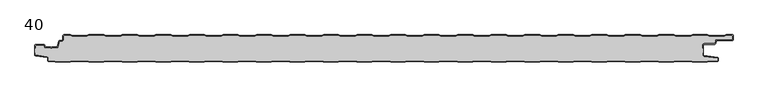
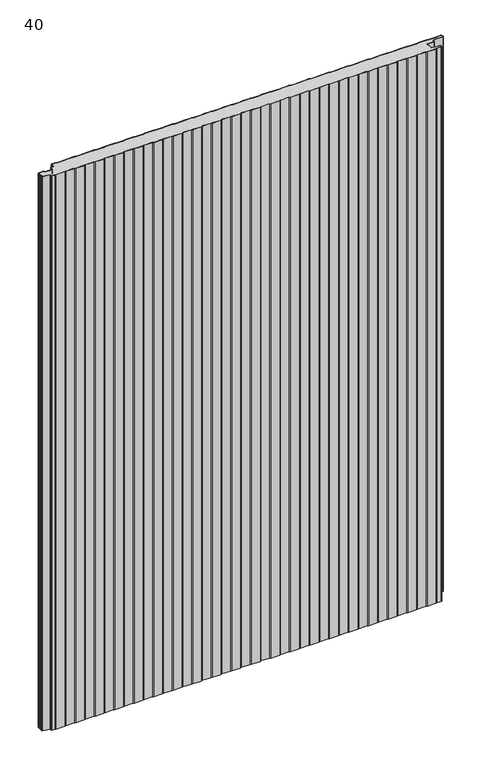
"""IFC4 building model written with IfcOpenShell, lengths in millimetres: plate geometry, 40."""

from ifc_helpers import new_model, si_unit, point, frame_2d, origin, origin_with_axes, place, context, project, spatial, polyline, circle_curve, trimmed, segment, composite_curve, outline, extrude, source, transform, mapped, element, save


def plate_40_181115cf(model_context):
    return source(origin(), model_context, "Body", "SweptSolid", [
        extrude(outline(composite_curve([segment(trimmed(circle_curve(frame_2d((-498.6, -16.2480681)), 1.4), [point((-500.0, -16.2480681))], [point((-498.6, -14.8480681))], False, "CARTESIAN"), True, "CONTINUOUS"), segment(polyline([(-498.6, -14.8480681), (-486.4969094, -14.8480681)]), True, "CONTINUOUS"), segment(trimmed(circle_curve(frame_2d((-486.4969094, -16.2480681)), 1.4), [point((-486.4969094, -14.8480681))], [point((-485.1275334, -15.9568477))], False, "CARTESIAN"), True, "CONTINUOUS"), segment(polyline([(-485.1275334, -15.9568477), (-484.6878192, -18.0244711)]), True, "CONTINUOUS"), segment(trimmed(circle_curve(frame_2d((-484.1011925, -17.8997153)), 0.5997457), [point((-484.6878192, -18.0244711))], [point((-484.1011925, -18.499461))], True, "CARTESIAN"), True, "CONTINUOUS"), segment(polyline([(-484.1011925, -18.499461), (-476.9006569, -18.499461)]), True, "CONTINUOUS"), segment(trimmed(circle_curve(frame_2d((-476.9006569, -19.799946)), 1.300485), [point((-476.9006569, -18.499461))], [point((-475.9808032, -18.8806362))], False, "CARTESIAN"), True, "CONTINUOUS"), segment(trimmed(circle_curve(frame_2d((-475.5877843, -18.5693125)), 0.5013845), [point((-475.9808032, -18.8806362))], [point((-475.2328971, -18.9234896))], True, "CARTESIAN"), True, "CONTINUOUS"), segment(trimmed(circle_curve(frame_2d((-474.2728751, -19.8002001)), 1.3001013), [point((-475.2328971, -18.9234896))], [point((-474.2728751, -18.5000988))], False, "CARTESIAN"), True, "CONTINUOUS"), segment(polyline([(-474.2728751, -18.5000988), (-467.0728572, -18.5000988)]), True, "CONTINUOUS"), segment(trimmed(circle_curve(frame_2d((-467.0728572, -17.9000522)), 0.6000466), [point((-467.0728572, -18.5000988))], [point((-466.4859224, -18.0248059))], True, "CARTESIAN"), True, "CONTINUOUS"), segment(polyline([(-466.4859224, -18.0248059), (-464.8033928, -10.1089305)]), True, "CONTINUOUS"), segment(trimmed(circle_curve(frame_2d((-463.4339847, -10.4)), 1.4), [point((-464.8033928, -10.1089305))], [point((-463.4339847, -9.0))], False, "CARTESIAN"), True, "CONTINUOUS"), segment(polyline([(-463.4339847, -9.0), (-460.4027062, -9.0)]), True, "CONTINUOUS"), segment(trimmed(circle_curve(frame_2d((-460.4027062, -7.1)), 1.9), [point((-460.4027062, -9.0))], [point((-458.5027062, -7.1))], True, "CARTESIAN"), True, "CONTINUOUS"), segment(polyline([(-458.5027062, -7.1), (-458.5027062, -2.0)]), True, "CONTINUOUS"), segment(trimmed(circle_curve(frame_2d((-456.5027062, -2.0)), 2.0), [point((-458.5027062, -2.0))], [point((-456.5027062, 0.0))], False, "CARTESIAN"), True, "CONTINUOUS"), segment(polyline([(-456.5027062, 0.0), (-447.5017452, 0.0), (-444.5017452, -1.0), (-422.5017452, -1.0), (-419.5017452, 0.0), (-397.5017452, 0.0), (-394.5017452, -1.0), (-372.5017452, -1.0), (-369.5017452, 0.0), (-347.5017452, 0.0), (-344.5017452, -1.0), (-322.5017452, -1.0), (-319.5017452, 0.0), (-297.5017452, 0.0), (-294.5017452, -1.0), (-272.5017452, -1.0), (-269.5017452, 0.0), (-247.5017452, 0.0), (-244.5017452, -1.0), (-222.5017452, -1.0), (-219.5017452, 0.0), (-197.5017452, 0.0), (-194.5017452, -1.0), (-172.5017452, -1.0), (-169.5017452, 0.0), (-147.5017452, 0.0), (-144.5017452, -1.0), (-122.5017452, -1.0), (-119.5017452, 0.0), (-97.5017452, 0.0), (-94.5017452, -1.0), (-72.5017452, -1.0), (-69.5017452, 0.0), (-47.5017452, 0.0), (-44.5017452, -1.0), (-22.5017452, -1.0), (-19.5017452, 0.0), (2.4982548, 0.0), (5.4982548, -1.0), (27.4982548, -1.0), (30.4982548, 0.0), (52.4982548, 0.0), (55.4982548, -1.0), (77.4982548, -1.0), (80.4982548, 0.0), (102.4982548, 0.0), (105.4982548, -1.0), (127.4982548, -1.0), (130.4982548, 0.0), (152.4982548, 0.0), (155.4982548, -1.0), (177.4982548, -1.0), (180.4982548, 0.0), (202.4982548, 0.0), (205.4982548, -1.0), (227.4982548, -1.0), (230.4982548, 0.0), (252.4982548, 0.0), (255.4982548, -1.0), (277.4982548, -1.0), (280.4982548, 0.0), (302.4982548, 0.0), (305.4982548, -1.0), (327.4982548, -1.0), (330.4982548, 0.0), (352.4982548, 0.0), (355.4982548, -1.0), (377.4982548, -1.0), (380.4982548, 0.0), (402.4982548, 0.0), (405.4982548, -1.0), (427.4982548, -1.0), (430.4982548, 0.0), (452.4982548, 0.0), (455.4982548, -1.0), (477.4982548, -1.0), (480.4982548, 0.0), (502.4982548, 0.0), (505.4982548, -1.0), (527.4982548, -1.0), (530.4982548, 0.0), (539.4972938, 0.0)]), True, "CONTINUOUS"), segment(trimmed(circle_curve(frame_2d((539.4972938, -2.0)), 2.0), [point((539.4972938, 0.0))], [point((541.0, -0.6801992))], False, "CARTESIAN"), True, "CONTINUOUS"), segment(polyline([(541.0, -0.6801992), (541.0, -8.0014566)]), True, "CONTINUOUS"), segment(trimmed(circle_curve(frame_2d((539.7972938, -6.8)), 1.7), [point((541.0, -8.0014566))], [point((539.7972938, -8.5))], False, "CARTESIAN"), True, "CONTINUOUS"), segment(polyline([(539.7972938, -8.5), (517.0135311, -8.5)]), True, "CONTINUOUS"), segment(trimmed(circle_curve(frame_2d((517.0135311, -9.9)), 1.4), [point((517.0135311, -8.5))], [point((515.6441245, -9.6089236))], True, "CARTESIAN"), True, "CONTINUOUS"), segment(polyline([(515.6441245, -9.6089236), (514.8724972, -13.2391445)]), True, "CONTINUOUS"), segment(trimmed(circle_curve(frame_2d((513.5030906, -12.9480681)), 1.4), [point((514.8724972, -13.2391445))], [point((513.5030906, -14.3480681))], False, "CARTESIAN"), True, "CONTINUOUS"), segment(polyline([(513.5030906, -14.3480681), (497.9, -14.3480681)]), True, "CONTINUOUS"), segment(trimmed(circle_curve(frame_2d((497.9, -15.7480681)), 1.4), [point((497.9, -14.3480681))], [point((496.5, -15.7480681))], True, "CARTESIAN"), True, "CONTINUOUS"), segment(polyline([(496.5, -15.7480681), (496.5, -20.2482392), (495.7, -20.2482392), (495.7, -15.7480681)]), True, "CONTINUOUS"), segment(trimmed(circle_curve(frame_2d((497.9, -15.7480681)), 2.2), [point((495.7, -15.7480681))], [point((497.9, -13.5480681))], False, "CARTESIAN"), True, "CONTINUOUS"), segment(polyline([(497.9, -13.5480681), (513.5030906, -13.5480681)]), True, "CONTINUOUS"), segment(trimmed(circle_curve(frame_2d((513.5030906, -12.9480681)), 0.6), [point((513.5030906, -13.5480681))], [point((514.0899792, -13.0728151))], True, "CARTESIAN"), True, "CONTINUOUS"), segment(polyline([(514.0899792, -13.0728151), (514.8616064, -9.4425943)]), True, "CONTINUOUS"), segment(trimmed(circle_curve(frame_2d((517.0135311, -9.9)), 2.2), [point((514.8616064, -9.4425943))], [point((517.0135311, -7.7))], False, "CARTESIAN"), True, "CONTINUOUS"), segment(polyline([(517.0135311, -7.7), (539.7972938, -7.7)]), True, "CONTINUOUS"), segment(trimmed(circle_curve(frame_2d((539.7972938, -6.8)), 0.9), [point((539.7972938, -7.7))], [point((540.6972938, -6.8))], True, "CARTESIAN"), True, "CONTINUOUS"), segment(polyline([(540.6972938, -6.8), (540.6972938, -2.0)]), True, "CONTINUOUS"), segment(trimmed(circle_curve(frame_2d((539.4972938, -2.0)), 1.2), [point((540.6972938, -2.0))], [point((539.4972938, -0.8))], True, "CARTESIAN"), True, "CONTINUOUS"), segment(polyline([(539.4972938, -0.8), (530.6280769, -0.8), (527.6280769, -1.8), (505.3684327, -1.8), (502.3684327, -0.8), (480.6280769, -0.8), (477.6280769, -1.8), (455.3684327, -1.8), (452.3684327, -0.8), (430.6280769, -0.8), (427.6280769, -1.8), (405.3684327, -1.8), (402.3684327, -0.8), (380.6280769, -0.8), (377.6280769, -1.8), (355.3684327, -1.8), (352.3684327, -0.8), (330.6280769, -0.8), (327.6280769, -1.8), (305.3684327, -1.8), (302.3684327, -0.8), (280.6280769, -0.8), (277.6280769, -1.8), (255.3684327, -1.8), (252.3684327, -0.8), (230.6280769, -0.8), (227.6280769, -1.8), (205.3684327, -1.8), (202.3684327, -0.8), (180.6280769, -0.8), (177.6280769, -1.8), (155.3684327, -1.8), (152.3684327, -0.8), (130.6280769, -0.8), (127.6280769, -1.8), (105.3684327, -1.8), (102.3684327, -0.8), (80.6280769, -0.8), (77.6280769, -1.8), (55.3684327, -1.8), (52.3684327, -0.8), (30.6280769, -0.8), (27.6280769, -1.8), (5.3684327, -1.8), (2.3684327, -0.8), (-19.3719231, -0.8), (-22.3719231, -1.8), (-44.6315673, -1.8), (-47.6315673, -0.8), (-69.3719231, -0.8), (-72.3719231, -1.8), (-94.6315673, -1.8), (-97.6315673, -0.8), (-119.3719231, -0.8), (-122.3719231, -1.8), (-144.6315673, -1.8), (-147.6315673, -0.8), (-169.3719231, -0.8), (-172.3719231, -1.8), (-194.6315673, -1.8), (-197.6315673, -0.8), (-219.3719231, -0.8), (-222.3719231, -1.8), (-244.6315673, -1.8), (-247.6315673, -0.8), (-269.3719231, -0.8), (-272.3719231, -1.8), (-294.6315673, -1.8), (-297.6315673, -0.8), (-319.3719231, -0.8), (-322.3719231, -1.8), (-344.6315673, -1.8), (-347.6315673, -0.8), (-369.3719231, -0.8), (-372.3719231, -1.8), (-394.6315673, -1.8), (-397.6315673, -0.8), (-419.3719231, -0.8), (-422.3719231, -1.8), (-444.6315673, -1.8), (-447.6315673, -0.8), (-456.5027062, -0.8)]), True, "CONTINUOUS"), segment(trimmed(circle_curve(frame_2d((-456.5027062, -2.0)), 1.2), [point((-456.5027062, -0.8))], [point((-457.7027062, -2.0))], True, "CARTESIAN"), True, "CONTINUOUS"), segment(polyline([(-457.7027062, -2.0), (-457.7027062, -7.1)]), True, "CONTINUOUS"), segment(trimmed(circle_curve(frame_2d((-460.4027062, -7.1)), 2.7), [point((-457.7027062, -7.1))], [point((-460.4027062, -9.8))], False, "CARTESIAN"), True, "CONTINUOUS"), segment(polyline([(-460.4027062, -9.8), (-463.4339847, -9.8)]), True, "CONTINUOUS"), segment(trimmed(circle_curve(frame_2d((-463.4339847, -10.4)), 0.6), [point((-463.4339847, -9.8))], [point((-464.0208733, -10.275253))], True, "CARTESIAN"), True, "CONTINUOUS"), segment(polyline([(-464.0208733, -10.275253), (-465.7034335, -18.1910764)]), True, "CONTINUOUS"), segment(trimmed(circle_curve(frame_2d((-467.0728401, -17.9)), 1.4), [point((-465.7034335, -18.1910764))], [point((-467.0728401, -19.3))], False, "CARTESIAN"), True, "CONTINUOUS"), segment(polyline([(-467.0728401, -19.3), (-474.5122154, -19.3)]), True, "CONTINUOUS"), segment(trimmed(circle_curve(frame_2d((-475.5869697, -18.5686292)), 1.3), [point((-474.5122154, -19.3))], [point((-476.6617239, -19.3))], False, "CARTESIAN"), True, "CONTINUOUS"), segment(polyline([(-476.6617239, -19.3), (-484.1010993, -19.3)]), True, "CONTINUOUS"), segment(trimmed(circle_curve(frame_2d((-484.1010993, -17.9)), 1.4), [point((-484.1010993, -19.3))], [point((-485.4705059, -18.1910764))], False, "CARTESIAN"), True, "CONTINUOUS"), segment(polyline([(-485.4705059, -18.1910764), (-485.9100208, -16.1233211)]), True, "CONTINUOUS"), segment(trimmed(circle_curve(frame_2d((-486.4969094, -16.2480681)), 0.6), [point((-485.9100208, -16.1233211))], [point((-486.4969094, -15.6480681))], True, "CARTESIAN"), True, "CONTINUOUS"), segment(polyline([(-486.4969094, -15.6480681), (-498.6, -15.6480681)]), True, "CONTINUOUS"), segment(trimmed(circle_curve(frame_2d((-498.6, -16.2480681)), 0.6), [point((-498.6, -15.6480681))], [point((-499.2, -16.2480681))], True, "CARTESIAN"), True, "CONTINUOUS"), segment(polyline([(-499.2, -16.2480681), (-499.2, -20.2482392), (-500.0, -20.2482392), (-500.0, -16.2480681)]), True, "CONTINUOUS")], self_intersect=False)), origin_with_axes(), (0.0, 0.0, 1.0), 1500.0),
        extrude(outline(composite_curve([segment(polyline([(-500.0, -26.3232445), (-500.0, -20.2482392), (-499.2, -20.2482392), (-499.2, -16.2480681)]), True, "CONTINUOUS"), segment(trimmed(circle_curve(frame_2d((-498.6, -16.2480681)), 0.6), [point((-499.2, -16.2480681))], [point((-498.6, -15.6480681))], False, "CARTESIAN"), True, "CONTINUOUS"), segment(polyline([(-498.6, -15.6480681), (-486.4969094, -15.6480681)]), True, "CONTINUOUS"), segment(trimmed(circle_curve(frame_2d((-486.4969094, -16.2480681)), 0.6), [point((-486.4969094, -15.6480681))], [point((-485.9100208, -16.1233211))], False, "CARTESIAN"), True, "CONTINUOUS"), segment(polyline([(-485.9100208, -16.1233211), (-485.4705059, -18.1910764)]), True, "CONTINUOUS"), segment(trimmed(circle_curve(frame_2d((-484.1010993, -17.9)), 1.4), [point((-485.4705059, -18.1910764))], [point((-484.1010993, -19.3))], True, "CARTESIAN"), True, "CONTINUOUS"), segment(polyline([(-484.1010993, -19.3), (-476.6617239, -19.3)]), True, "CONTINUOUS"), segment(trimmed(circle_curve(frame_2d((-475.5869697, -18.5686292)), 1.3), [point((-476.6617239, -19.3))], [point((-474.5122154, -19.3))], True, "CARTESIAN"), True, "CONTINUOUS"), segment(polyline([(-474.5122154, -19.3), (-467.0728401, -19.3)]), True, "CONTINUOUS"), segment(trimmed(circle_curve(frame_2d((-467.0728401, -17.9)), 1.4), [point((-467.0728401, -19.3))], [point((-465.7034335, -18.1910764))], True, "CARTESIAN"), True, "CONTINUOUS"), segment(polyline([(-465.7034335, -18.1910764), (-464.0208733, -10.275253)]), True, "CONTINUOUS"), segment(trimmed(circle_curve(frame_2d((-463.4339847, -10.4)), 0.6), [point((-464.0208733, -10.275253))], [point((-463.4339847, -9.8))], False, "CARTESIAN"), True, "CONTINUOUS"), segment(polyline([(-463.4339847, -9.8), (-460.4027062, -9.8)]), True, "CONTINUOUS"), segment(trimmed(circle_curve(frame_2d((-460.4027062, -7.1)), 2.7), [point((-460.4027062, -9.8))], [point((-457.7027062, -7.1))], True, "CARTESIAN"), True, "CONTINUOUS"), segment(polyline([(-457.7027062, -7.1), (-457.7027062, -2.0)]), True, "CONTINUOUS"), segment(trimmed(circle_curve(frame_2d((-456.5027062, -2.0)), 1.2), [point((-457.7027062, -2.0))], [point((-456.5027062, -0.8))], False, "CARTESIAN"), True, "CONTINUOUS"), segment(polyline([(-456.5027062, -0.8), (-447.6315673, -0.8), (-444.6315673, -1.8), (-422.3719231, -1.8), (-419.3719231, -0.8), (-397.6315673, -0.8), (-394.6315673, -1.8), (-372.3719231, -1.8), (-369.3719231, -0.8), (-347.6315673, -0.8), (-344.6315673, -1.8), (-322.3719231, -1.8), (-319.3719231, -0.8), (-297.6315673, -0.8), (-294.6315673, -1.8), (-272.3719231, -1.8), (-269.3719231, -0.8), (-247.6315673, -0.8), (-244.6315673, -1.8), (-222.3719231, -1.8), (-219.3719231, -0.8), (-197.6315673, -0.8), (-194.6315673, -1.8), (-172.3719231, -1.8), (-169.3719231, -0.8), (-147.6315673, -0.8), (-144.6315673, -1.8), (-122.3719231, -1.8), (-119.3719231, -0.8), (-97.6315673, -0.8), (-94.6315673, -1.8), (-72.3719231, -1.8), (-69.3719231, -0.8), (-47.6315673, -0.8), (-44.6315673, -1.8), (-22.3719231, -1.8), (-19.3719231, -0.8), (2.3684327, -0.8), (5.3684327, -1.8), (27.6280769, -1.8), (30.6280769, -0.8), (52.3684327, -0.8), (55.3684327, -1.8), (77.6280769, -1.8), (80.6280769, -0.8), (102.3684327, -0.8), (105.3684327, -1.8), (127.6280769, -1.8), (130.6280769, -0.8), (152.3684327, -0.8), (155.3684327, -1.8), (177.6280769, -1.8), (180.6280769, -0.8), (202.3684327, -0.8), (205.3684327, -1.8), (227.6280769, -1.8), (230.6280769, -0.8), (252.3684327, -0.8), (255.3684327, -1.8), (277.6280769, -1.8), (280.6280769, -0.8), (302.3684327, -0.8), (305.3684327, -1.8), (327.6280769, -1.8), (330.6280769, -0.8), (352.3684327, -0.8), (355.3684327, -1.8), (377.6280769, -1.8), (380.6280769, -0.8), (402.3684327, -0.8), (405.3684327, -1.8), (427.6280769, -1.8), (430.6280769, -0.8), (452.3684327, -0.8), (455.3684327, -1.8), (477.6280769, -1.8), (480.6280769, -0.8), (502.3684327, -0.8), (505.3684327, -1.8), (527.6280769, -1.8), (530.6280769, -0.8), (539.4972938, -0.8)]), True, "CONTINUOUS"), segment(trimmed(circle_curve(frame_2d((539.4972938, -2.0)), 1.2), [point((539.4972938, -0.8))], [point((540.6972938, -2.0))], False, "CARTESIAN"), True, "CONTINUOUS"), segment(polyline([(540.6972938, -2.0), (540.6972938, -6.8)]), True, "CONTINUOUS"), segment(trimmed(circle_curve(frame_2d((539.7972938, -6.8)), 0.9), [point((540.6972938, -6.8))], [point((539.7972938, -7.7))], False, "CARTESIAN"), True, "CONTINUOUS"), segment(polyline([(539.7972938, -7.7), (517.0135311, -7.7)]), True, "CONTINUOUS"), segment(trimmed(circle_curve(frame_2d((517.0135311, -9.9)), 2.2), [point((517.0135311, -7.7))], [point((514.8616064, -9.4425943))], True, "CARTESIAN"), True, "CONTINUOUS"), segment(polyline([(514.8616064, -9.4425943), (514.0899792, -13.0728151)]), True, "CONTINUOUS"), segment(trimmed(circle_curve(frame_2d((513.5030906, -12.9480681)), 0.6), [point((514.0899792, -13.0728151))], [point((513.5030906, -13.5480681))], False, "CARTESIAN"), True, "CONTINUOUS"), segment(polyline([(513.5030906, -13.5480681), (497.9, -13.5480681)]), True, "CONTINUOUS"), segment(trimmed(circle_curve(frame_2d((497.9, -15.7480681)), 2.2), [point((497.9, -13.5480681))], [point((495.7, -15.7480681))], True, "CARTESIAN"), True, "CONTINUOUS"), segment(polyline([(495.7, -15.7480681), (495.7, -20.2482392), (496.5, -20.2482392), (496.5, -26.3232445), (495.7, -26.3232445), (495.7, -30.7275325)]), True, "CONTINUOUS"), segment(trimmed(circle_curve(frame_2d((497.2, -30.7275325)), 1.5), [point((495.7, -30.7275325))], [point((496.9911207, -32.2129178))], True, "CARTESIAN"), True, "CONTINUOUS"), segment(polyline([(496.9911207, -32.2129178), (517.69005, -35.1236622)]), True, "CONTINUOUS"), segment(trimmed(circle_curve(frame_2d((517.6075495, -35.7103403)), 0.5924505), [point((517.69005, -35.1236622))], [point((518.2, -35.7103403))], False, "CARTESIAN"), True, "CONTINUOUS"), segment(polyline([(518.2, -35.7103403), (518.2, -38.7)]), True, "CONTINUOUS"), segment(trimmed(circle_curve(frame_2d((517.7, -38.7)), 0.5), [point((518.2, -38.7))], [point((517.7, -39.2))], False, "CARTESIAN"), True, "CONTINUOUS"), segment(polyline([(517.7, -39.2), (505.3684327, -39.2), (502.3684327, -40.2), (480.3684327, -40.2), (477.3684327, -39.2), (455.3684327, -39.2), (452.3684327, -40.2), (430.3684327, -40.2), (427.3684327, -39.2), (405.3684327, -39.2), (402.3684327, -40.2), (380.3684327, -40.2), (377.3684327, -39.2), (355.3684327, -39.2), (352.3684327, -40.2), (330.3684327, -40.2), (327.3684327, -39.2), (305.3684327, -39.2), (302.3684327, -40.2), (280.3684327, -40.2), (277.3684327, -39.2), (255.3684327, -39.2), (252.3684327, -40.2), (230.3684327, -40.2), (227.3684327, -39.2), (205.3684327, -39.2), (202.3684327, -40.2), (180.3684327, -40.2), (177.3684327, -39.2), (155.3684327, -39.2), (152.3684327, -40.2), (130.3684327, -40.2), (127.3684327, -39.2), (105.3684327, -39.2), (102.3684327, -40.2), (80.3684327, -40.2), (77.3684327, -39.2), (55.3684327, -39.2), (52.3684327, -40.2), (30.3684327, -40.2), (27.3684327, -39.2), (5.3684327, -39.2), (2.3684327, -40.2), (-19.6315673, -40.2), (-22.6315673, -39.2), (-44.6315673, -39.2), (-47.6315673, -40.2), (-69.6315673, -40.2), (-72.6315673, -39.2), (-94.6315673, -39.2), (-97.6315673, -40.2), (-119.6315673, -40.2), (-122.6315673, -39.2), (-144.6315673, -39.2), (-147.6315673, -40.2), (-169.6315673, -40.2), (-172.6315673, -39.2), (-194.6315673, -39.2), (-197.6315673, -40.2), (-219.6315673, -40.2), (-222.6315673, -39.2), (-244.6315673, -39.2), (-247.6315673, -40.2), (-269.6315673, -40.2), (-272.6315673, -39.2), (-294.6315673, -39.2), (-297.6315673, -40.2), (-319.6315673, -40.2), (-322.6315673, -39.2), (-344.6315673, -39.2), (-347.6315673, -40.2), (-369.6315673, -40.2), (-372.6315673, -39.2), (-394.6315673, -39.2), (-397.6315673, -40.2), (-419.6315673, -40.2), (-422.6315673, -39.2), (-444.6315673, -39.2), (-447.6315673, -40.2), (-469.6315673, -40.2), (-472.6315673, -39.2), (-479.7, -39.2)]), True, "CONTINUOUS"), segment(trimmed(circle_curve(frame_2d((-479.7, -38.7)), 0.5), [point((-479.7, -39.2))], [point((-480.2, -38.7))], False, "CARTESIAN"), True, "CONTINUOUS"), segment(polyline([(-480.2, -38.7), (-480.2, -34.6035317)]), True, "CONTINUOUS"), segment(trimmed(circle_curve(frame_2d((-481.7, -34.6035317)), 1.5), [point((-480.2, -34.6035317))], [point((-481.4911207, -33.1181464))], True, "CARTESIAN"), True, "CONTINUOUS"), segment(polyline([(-481.4911207, -33.1181464), (-498.6835517, -30.7004962)]), True, "CONTINUOUS"), segment(trimmed(circle_curve(frame_2d((-498.6, -30.1063421)), 0.6), [point((-498.6835517, -30.7004962))], [point((-499.2, -30.1063421))], False, "CARTESIAN"), True, "CONTINUOUS"), segment(polyline([(-499.2, -30.1063421), (-499.2, -26.3232445), (-500.0, -26.3232445)]), True, "CONTINUOUS")], self_intersect=False)), origin_with_axes(), (0.0, 0.0, 1.0), 1500.0),
        extrude(outline(composite_curve([segment(polyline([(-500.0, -26.3232445), (-499.2, -26.3232445), (-499.2, -30.1063421)]), True, "CONTINUOUS"), segment(trimmed(circle_curve(frame_2d((-498.6, -30.1063421)), 0.6), [point((-499.2, -30.1063421))], [point((-498.6835517, -30.7004962))], True, "CARTESIAN"), True, "CONTINUOUS"), segment(polyline([(-498.6835517, -30.7004962), (-481.4911207, -33.1181464)]), True, "CONTINUOUS"), segment(trimmed(circle_curve(frame_2d((-481.7, -34.6035317)), 1.5), [point((-481.4911207, -33.1181464))], [point((-480.2, -34.6035317))], False, "CARTESIAN"), True, "CONTINUOUS"), segment(polyline([(-480.2, -34.6035317), (-480.2, -38.7)]), True, "CONTINUOUS"), segment(trimmed(circle_curve(frame_2d((-479.7, -38.7)), 0.5), [point((-480.2, -38.7))], [point((-479.7, -39.2))], True, "CARTESIAN"), True, "CONTINUOUS"), segment(polyline([(-479.7, -39.2), (-472.6315673, -39.2), (-469.6315673, -40.2), (-447.6315673, -40.2), (-444.6315673, -39.2), (-422.6315673, -39.2), (-419.6315673, -40.2), (-397.6315673, -40.2), (-394.6315673, -39.2), (-372.6315673, -39.2), (-369.6315673, -40.2), (-347.6315673, -40.2), (-344.6315673, -39.2), (-322.6315673, -39.2), (-319.6315673, -40.2), (-297.6315673, -40.2), (-294.6315673, -39.2), (-272.6315673, -39.2), (-269.6315673, -40.2), (-247.6315673, -40.2), (-244.6315673, -39.2), (-222.6315673, -39.2), (-219.6315673, -40.2), (-197.6315673, -40.2), (-194.6315673, -39.2), (-172.6315673, -39.2), (-169.6315673, -40.2), (-147.6315673, -40.2), (-144.6315673, -39.2), (-122.6315673, -39.2), (-119.6315673, -40.2), (-97.6315673, -40.2), (-94.6315673, -39.2), (-72.6315673, -39.2), (-69.6315673, -40.2), (-47.6315673, -40.2), (-44.6315673, -39.2), (-22.6315673, -39.2), (-19.6315673, -40.2), (2.3684327, -40.2), (5.3684327, -39.2), (27.3684327, -39.2), (30.3684327, -40.2), (52.3684327, -40.2), (55.3684327, -39.2), (77.3684327, -39.2), (80.3684327, -40.2), (102.3684327, -40.2), (105.3684327, -39.2), (127.3684327, -39.2), (130.3684327, -40.2), (152.3684327, -40.2), (155.3684327, -39.2), (177.3684327, -39.2), (180.3684327, -40.2), (202.3684327, -40.2), (205.3684327, -39.2), (227.3684327, -39.2), (230.3684327, -40.2), (252.3684327, -40.2), (255.3684327, -39.2), (277.3684327, -39.2), (280.3684327, -40.2), (302.3684327, -40.2), (305.3684327, -39.2), (327.3684327, -39.2), (330.3684327, -40.2), (352.3684327, -40.2), (355.3684327, -39.2), (377.3684327, -39.2), (380.3684327, -40.2), (402.3684327, -40.2), (405.3684327, -39.2), (427.3684327, -39.2), (430.3684327, -40.2), (452.3684327, -40.2), (455.3684327, -39.2), (477.3684327, -39.2), (480.3684327, -40.2), (502.3684327, -40.2), (505.3684327, -39.2), (517.7, -39.2)]), True, "CONTINUOUS"), segment(trimmed(circle_curve(frame_2d((517.7, -38.7)), 0.5), [point((517.7, -39.2))], [point((518.2, -38.7))], True, "CARTESIAN"), True, "CONTINUOUS"), segment(polyline([(518.2, -38.7), (518.2, -35.7103403)]), True, "CONTINUOUS"), segment(trimmed(circle_curve(frame_2d((517.6075495, -35.7103403)), 0.5924505), [point((518.2, -35.7103403))], [point((517.69005, -35.1236622))], True, "CARTESIAN"), True, "CONTINUOUS"), segment(polyline([(517.69005, -35.1236622), (496.9911207, -32.2129178)]), True, "CONTINUOUS"), segment(trimmed(circle_curve(frame_2d((497.2, -30.7275325)), 1.5), [point((496.9911207, -32.2129178))], [point((495.7, -30.7275325))], False, "CARTESIAN"), True, "CONTINUOUS"), segment(polyline([(495.7, -30.7275325), (495.7, -26.3232445), (496.5, -26.3232445), (496.5, -30.7275325)]), True, "CONTINUOUS"), segment(trimmed(circle_curve(frame_2d((497.2, -30.7275325)), 0.7), [point((496.5, -30.7275325))], [point((497.102523, -31.4207123))], True, "CARTESIAN"), True, "CONTINUOUS"), segment(polyline([(497.102523, -31.4207123), (517.8810287, -34.342647)]), True, "CONTINUOUS"), segment(trimmed(circle_curve(frame_2d((517.7, -35.6299809)), 1.3), [point((517.8810287, -34.342647))], [point((519.0, -35.6299809))], False, "CARTESIAN"), True, "CONTINUOUS"), segment(polyline([(519.0, -35.6299809), (519.0, -38.7)]), True, "CONTINUOUS"), segment(trimmed(circle_curve(frame_2d((517.7, -38.7)), 1.3), [point((519.0, -38.7))], [point((517.7, -40.0))], False, "CARTESIAN"), True, "CONTINUOUS"), segment(polyline([(517.7, -40.0), (505.4982548, -40.0), (502.4982548, -41.0), (480.2386105, -41.0), (477.2386105, -40.0), (455.4982548, -40.0), (452.4982548, -41.0), (430.2386105, -41.0), (427.2386105, -40.0), (405.4982548, -40.0), (402.4982548, -41.0), (380.2386105, -41.0), (377.2386105, -40.0), (355.4982548, -40.0), (352.4982548, -41.0), (330.2386105, -41.0), (327.2386105, -40.0), (305.4982548, -40.0), (302.4982548, -41.0), (280.2386105, -41.0), (277.2386105, -40.0), (255.4982548, -40.0), (252.4982548, -41.0), (230.2386105, -41.0), (227.2386105, -40.0), (205.4982548, -40.0), (202.4982548, -41.0), (180.2386105, -41.0), (177.2386105, -40.0), (155.4982548, -40.0), (152.4982548, -41.0), (130.2386105, -41.0), (127.2386105, -40.0), (105.4982548, -40.0), (102.4982548, -41.0), (80.2386105, -41.0), (77.2386105, -40.0), (55.4982548, -40.0), (52.4982548, -41.0), (30.2386105, -41.0), (27.2386105, -40.0), (5.4982548, -40.0), (2.4982548, -41.0), (-19.7613895, -41.0), (-22.7613895, -40.0), (-44.5017452, -40.0), (-47.5017452, -41.0), (-69.7613895, -41.0), (-72.7613895, -40.0), (-94.5017452, -40.0), (-97.5017452, -41.0), (-119.7613895, -41.0), (-122.7613895, -40.0), (-144.5017452, -40.0), (-147.5017452, -41.0), (-169.7613895, -41.0), (-172.7613895, -40.0), (-194.5017452, -40.0), (-197.5017452, -41.0), (-219.7613895, -41.0), (-222.7613895, -40.0), (-244.5017452, -40.0), (-247.5017452, -41.0), (-269.7613895, -41.0), (-272.7613895, -40.0), (-294.5017452, -40.0), (-297.5017452, -41.0), (-319.7613895, -41.0), (-322.7613895, -40.0), (-344.5017452, -40.0), (-347.5017452, -41.0), (-369.7613895, -41.0), (-372.7613895, -40.0), (-394.5017452, -40.0), (-397.5017452, -41.0), (-419.7613895, -41.0), (-422.7613895, -40.0), (-444.5017452, -40.0), (-447.5017452, -41.0), (-469.7613895, -41.0), (-472.7613895, -40.0), (-479.7, -40.0)]), True, "CONTINUOUS"), segment(trimmed(circle_curve(frame_2d((-479.7, -38.7)), 1.3), [point((-479.7, -40.0))], [point((-481.0, -38.7))], False, "CARTESIAN"), True, "CONTINUOUS"), segment(polyline([(-481.0, -38.7), (-481.0, -34.6035317)]), True, "CONTINUOUS"), segment(trimmed(circle_curve(frame_2d((-481.7, -34.6035317)), 0.7), [point((-481.0, -34.6035317))], [point((-481.602523, -33.9103519))], True, "CARTESIAN"), True, "CONTINUOUS"), segment(polyline([(-481.602523, -33.9103519), (-498.8810287, -31.4805976)]), True, "CONTINUOUS"), segment(trimmed(circle_curve(frame_2d((-498.7, -30.1932637)), 1.3), [point((-498.8810287, -31.4805976))], [point((-500.0, -30.1932637))], False, "CARTESIAN"), True, "CONTINUOUS"), segment(polyline([(-500.0, -30.1932637), (-500.0, -26.3232445)]), True, "CONTINUOUS")], self_intersect=False)), origin_with_axes(), (0.0, 0.0, 1.0), 1500.0),
    ])


if __name__ == "__main__":
    model = new_model("IFC4")
    model_context = context("Model", 3, world=origin())
    ifc_project = project(units=[si_unit("LENGTHUNIT", "METRE", prefix="MILLI")], contexts=[model_context])
    site = spatial("IfcSite", under=ifc_project)
    building = spatial("IfcBuilding", under=site)
    placement = place(None, origin())
    plate_40_shape = plate_40_181115cf(model_context)
    element("IfcPlate", 1, ObjectType="40", at=placement, inside=building, context=model_context, shape_type="MappedRepresentation", body=[
        mapped(plate_40_shape, transform((0.0, 0.0, 0.0), x_axis=(1.0, 0.0, 0.0), y_axis=(0.0, 1.0, 0.0), z_axis=(0.0, 0.0, 1.0))),
    ])
    save(model, "model.ifc")
